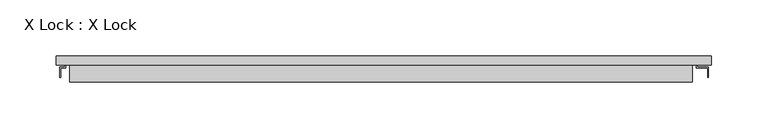
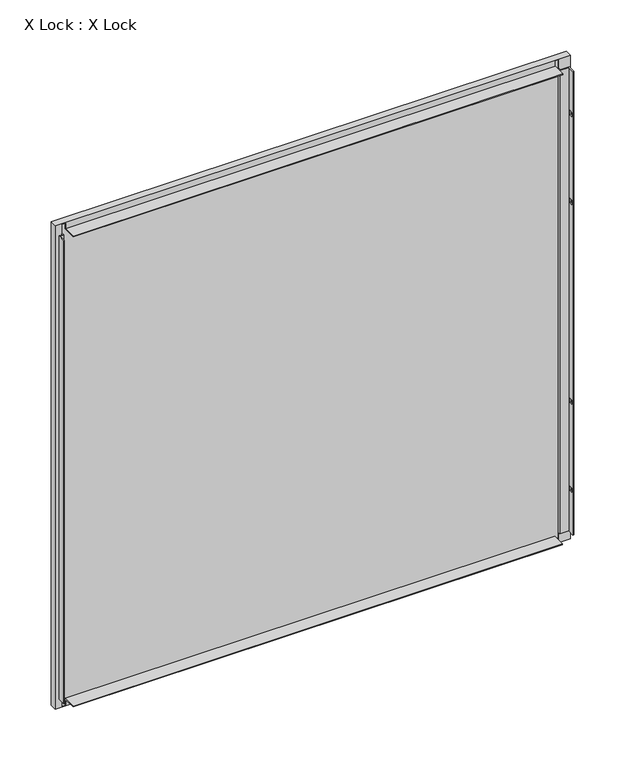
"""IFC4 building model written with IfcOpenShell, lengths in millimetres: plate geometry, X Lock : X Lock."""

import ifcopenshell
import ifcopenshell.guid

model = None  # the IFC model being written
_history = None  # IfcOwnerHistory: only IFC2X3 demands one
_inside = {}  # id of a spatial element -> (the spatial element, [elements in it])
_under = {}  # id of a project, library or spatial element -> (it, [spatial elements below it])
_declared = {}  # id of a project -> (the project, [libraries it declares])
_typed = {}  # id of a type object -> (the type object, [elements of that type])
_made_of = {}  # id of a material, layer set ... -> (it, [elements and type objects made of it])


def new_model(schema):
    """Start an empty IFC model of exactly this schema.

    Asked for "IFC4X3", IfcOpenShell would pick the latest addendum, in which some entities
    have other attributes; the version numbers below select the first issue.
    IFC2X3 requires an IfcOwnerHistory on every rooted entity: one is made here for all.
    """
    global model, _history
    if schema == "IFC4X3":
        model = ifcopenshell.file(schema_version=(4, 3, 0, 0))
    else:
        model = ifcopenshell.file(schema=schema)
    _inside.clear()
    _under.clear()
    _declared.clear()
    _typed.clear()
    _made_of.clear()
    _history = None
    if model.schema == "IFC2X3":
        org = make("IfcOrganization", Name="unknown")
        user = make(
            "IfcPersonAndOrganization",
            ThePerson=make("IfcPerson", FamilyName="unknown"),
            TheOrganization=org,
        )
        app = make(
            "IfcApplication",
            ApplicationDeveloper=org,
            Version="unknown",
            ApplicationFullName="unknown",
            ApplicationIdentifier="unknown",
        )
        _history = make(
            "IfcOwnerHistory",
            OwningUser=user,
            OwningApplication=app,
            ChangeAction="ADDED",
            CreationDate=0,
        )
    return model


def make(cls, **values):
    """One entity of the class cls with the attributes given. An attribute that is None is left unset."""
    return model.create_entity(
        cls, **{name: value for name, value in values.items() if value is not None}
    )


def rooted(cls, **values):
    """An entity with a GlobalId (a new one), such as an element, a storey or a relation."""
    return make(cls, GlobalId=ifcopenshell.guid.new(), OwnerHistory=_history, **values)


def si_unit(unit_type, name, prefix=None):
    """IfcSIUnit, for example si_unit("LENGTHUNIT", "METRE", prefix="MILLI")."""
    return make("IfcSIUnit", UnitType=unit_type, Prefix=prefix, Name=name)


def assignment(units):
    """IfcUnitAssignment: the units of a project."""
    return None if units is None else make("IfcUnitAssignment", Units=units)


def point(xyz):
    """IfcCartesianPoint."""
    return None if xyz is None else make("IfcCartesianPoint", Coordinates=xyz)


def direction(xyz):
    """IfcDirection."""
    return None if xyz is None else make("IfcDirection", DirectionRatios=xyz)


def frame(location, z_axis=None, x_axis=None):
    """IfcAxis2Placement3D, a coordinate frame: its origin and axes. An axis left out is left unset."""
    return make(
        "IfcAxis2Placement3D",
        Location=point(location),
        Axis=direction(z_axis),
        RefDirection=direction(x_axis),
    )


def origin():
    """The frame at (0, 0, 0) with its axes left unset."""
    return frame((0.0, 0.0, 0.0))


def place(relative_to, where):
    """IfcLocalPlacement: puts the frame where relative to a parent placement (None: the world)."""
    return make(
        "IfcLocalPlacement", PlacementRelTo=relative_to, RelativePlacement=where
    )


def context(
    kind, dimensions, precision=None, world=None, true_north=None, identifier=None
):
    """IfcGeometricRepresentationContext, for example the 3D "Model" context."""
    return make(
        "IfcGeometricRepresentationContext",
        ContextIdentifier=identifier,
        ContextType=kind,
        CoordinateSpaceDimension=dimensions,
        Precision=precision,
        WorldCoordinateSystem=world,
        TrueNorth=true_north,
    )


def project(units=None, contexts=None):
    """IfcProject with its units and contexts."""
    return rooted(
        "IfcProject",
        Name="project",
        RepresentationContexts=contexts,
        UnitsInContext=assignment(units),
    )


def spatial(cls, under=None, at=None, **own):
    """A site, building, storey or space (cls), placed at a placement, below another one or the project."""
    s = rooted(cls, ObjectPlacement=at, **own)
    if under is not None:
        _under.setdefault(under.id(), (under, []))[1].append(s)
    return s


def polyline(points):
    """IfcPolyline through the points."""
    return make("IfcPolyline", Points=[point(p) for p in points])


def outline(outer, holes=None, kind="AREA"):
    """IfcArbitraryClosedProfileDef: a profile drawn as a closed curve; with holes, ...WithVoids."""
    if holes is None:
        return make("IfcArbitraryClosedProfileDef", ProfileType=kind, OuterCurve=outer)
    return make(
        "IfcArbitraryProfileDefWithVoids",
        ProfileType=kind,
        OuterCurve=outer,
        InnerCurves=holes,
    )


def extrude(swept, where, along, depth):
    """IfcExtrudedAreaSolid: the profile swept, set in the frame where, extruded along a direction by depth."""
    return make(
        "IfcExtrudedAreaSolid",
        SweptArea=swept,
        Position=where,
        ExtrudedDirection=direction(along),
        Depth=depth,
    )


def faces_of(points, faces, orient=None, outer=None):
    """IfcFace entities. A face is a list of loops; a loop is a list of indices into points, from 0.

    orient and outer hold one flag for each loop. By default every Orientation is true, the
    first loop of a face is its IfcFaceOuterBound and the others are IfcFaceBound.
    """
    made = []
    for i, loops in enumerate(faces):
        bounds = []
        for j, loop in enumerate(loops):
            is_outer = j == 0 if outer is None else outer[i][j]
            bounds.append(
                make(
                    "IfcFaceOuterBound" if is_outer else "IfcFaceBound",
                    Bound=make("IfcPolyLoop", Polygon=[points[k] for k in loop]),
                    Orientation=True if orient is None else orient[i][j],
                )
            )
        made.append(make("IfcFace", Bounds=bounds))
    return made


def faceted_brep(points, faces, orient=None, outer=None, voids=None):
    """IfcFacetedBrep: a solid bounded by flat faces; with voids (closed shells), ...WithVoids."""
    shared = [point(p) for p in points]
    hull = make("IfcClosedShell", CfsFaces=faces_of(shared, faces, orient, outer))
    if voids is None:
        return make("IfcFacetedBrep", Outer=hull)
    return make(
        "IfcFacetedBrepWithVoids",
        Outer=hull,
        Voids=[
            make(cls, CfsFaces=faces_of(shared, fs, o, b)) for cls, fs, o, b in voids
        ],
    )


def shape(context_of_items, identifier, shape_type, items):
    """IfcShapeRepresentation: the items that make up one representation, for example the "Body"."""
    return make(
        "IfcShapeRepresentation",
        ContextOfItems=context_of_items,
        RepresentationIdentifier=identifier,
        RepresentationType=shape_type,
        Items=items,
    )


def source(mapping_origin, context_of_items, identifier, shape_type, items):
    """IfcRepresentationMap: a shape defined once, which mapped items show again and again."""
    return make(
        "IfcRepresentationMap",
        MappingOrigin=mapping_origin,
        MappedRepresentation=shape(context_of_items, identifier, shape_type, items),
    )


def transform(
    local_origin,
    x_axis=None,
    y_axis=None,
    z_axis=None,
    scale=None,
    scale2=None,
    scale3=None,
    uniform=True,
):
    """IfcCartesianTransformationOperator3D, or its non-uniform kind. x_axis, y_axis, z_axis: its Axis1, 2, 3."""
    if uniform:
        return make(
            "IfcCartesianTransformationOperator3D",
            Axis1=direction(x_axis),
            Axis2=direction(y_axis),
            LocalOrigin=point(local_origin),
            Scale=scale,
            Axis3=direction(z_axis),
        )
    return make(
        "IfcCartesianTransformationOperator3DnonUniform",
        Axis1=direction(x_axis),
        Axis2=direction(y_axis),
        LocalOrigin=point(local_origin),
        Scale=scale,
        Axis3=direction(z_axis),
        Scale2=scale2,
        Scale3=scale3,
    )


def mapped(mapping_source, mapping_target):
    """IfcMappedItem: shows the shape of a source again, moved by a transform."""
    return make(
        "IfcMappedItem", MappingSource=mapping_source, MappingTarget=mapping_target
    )


def made_of(thing, what):
    """Note that an element or type object is made of a material, layer set ...; save() writes the relation."""
    if what is not None:
        _made_of.setdefault(what.id(), (what, []))[1].append(thing)
    return thing


def element(
    cls,
    number,
    at=None,
    inside=None,
    cuts=None,
    type_object=None,
    material=None,
    context=None,
    identifier="Body",
    shape_type=None,
    held_by="IfcProductDefinitionShape",
    body=None,
    shapes=None,
    **own,
):
    """One element of the class cls, such as IfcWall. Its Tag is "e" and its number.

    at: its placement. inside: the storey or other place that contains it. cuts: it is an
    opening in that element (IfcRelVoidsElement). A single representation is given by context,
    identifier, shape_type and body (its items); several are given by shapes. held_by: the class
    of the entity that holds the representations. save() writes the other relations.
    """
    e = rooted(cls, Tag="e%d" % number, ObjectPlacement=at, **own)
    if body is not None:
        shapes = [shape(context, identifier, shape_type, body)]
    if shapes is not None:
        e.Representation = make(held_by, Representations=shapes)
    if inside is not None:
        _inside.setdefault(inside.id(), (inside, []))[1].append(e)
    if cuts is not None:
        rooted(
            "IfcRelVoidsElement", RelatingBuildingElement=cuts, RelatedOpeningElement=e
        )
    if type_object is not None:
        _typed.setdefault(type_object.id(), (type_object, []))[1].append(e)
    return made_of(e, material)


def aggregate(whole, parts):
    """IfcRelAggregates: a whole, such as a stair, and the parts it consists of."""
    return rooted("IfcRelAggregates", RelatingObject=whole, RelatedObjects=parts)


def save(model, path):
    """Write the relations noted so far, then the file.

    IfcRelAggregates (storeys below a building ...), IfcRelContainedInSpatialStructure (elements
    in a storey), IfcRelDefinesByType, IfcRelAssociatesMaterial and IfcRelDeclares: one each for
    every whole, place, type object, material and project.
    """
    for whole, parts in _under.values():
        aggregate(whole, parts)
    for where, things in _inside.values():
        rooted(
            "IfcRelContainedInSpatialStructure",
            RelatedElements=things,
            RelatingStructure=where,
        )
    for kind, things in _typed.values():
        rooted("IfcRelDefinesByType", RelatedObjects=things, RelatingType=kind)
    for what, things in _made_of.values():
        rooted("IfcRelAssociatesMaterial", RelatedObjects=things, RelatingMaterial=what)
    for by, libraries in _declared.values():
        rooted("IfcRelDeclares", RelatingContext=by, RelatedDefinitions=libraries)
    model.write(path)


def x_lock_x_lock_bb995515(model_context):
    return source(origin(), model_context, "Body", "SolidModel", [
        extrude(outline(polyline([(284.0000002, 7.2), (-279.0000002, 7.2), (-279.0000002, 8.0), (284.0000002, 8.0), (284.0000002, 7.2)])), frame((0.0, 0.0, 3.0), z_axis=(0.0, 0.0, 1.0), x_axis=(1.0, 0.0, 0.0)), (0.0, 0.0, 1.0), 558.0),
        faceted_brep([(294.0000002, 8.0, 571.0), (-289.0000002, 8.0, 571.0), (-289.0000002, 0.0, 571.0), (294.0000002, 0.0, 571.0), (-289.0000002, 8.0, -7.0), (-289.0000002, 0.0, -7.0), (294.0000002, 8.0, -7.0), (294.0000002, 0.0, -7.0), (293.2000002, 7.2, 570.2), (293.2000002, 7.2, -6.2), (293.2000002, 0.8, -6.2), (293.2000002, 0.8, 570.2), (-288.2000002, 7.2, -6.2), (-288.2000002, 0.8, -6.2), (-280.7000002, 0.8, -6.2), (-280.7000002, 0.0, -6.2), (-277.0000002, 0.0, -6.2), (-277.0000002, 0.8, -6.2), (277.0000002, 0.8, -6.2), (277.0000002, 0.0, -6.2), (280.7000002, 0.0, -6.2), (280.7000002, 0.8, -6.2), (-288.2000002, 7.2, 570.2), (-288.2000002, 0.8, 570.2), (280.7000002, 0.8, 570.2), (280.7000002, 0.0, 570.2), (277.0000002, 0.0, 570.2), (277.0000002, 0.8, 570.2), (-277.0000002, 0.8, 570.2), (-277.0000002, 0.0, 570.2), (-280.7000002, 0.0, 570.2), (-280.7000002, 0.8, 570.2), (-279.0000002, 7.2, 561.0), (284.0000002, 7.2, 561.0), (284.0000002, 7.2, 3.0), (-279.0000002, 7.2, 3.0), (-279.0000002, 8.0, 561.0), (-279.0000002, 8.0, 3.0), (284.0000002, 8.0, 3.0), (284.0000002, 8.0, 561.0), (280.7000002, -2.7949633, 559.0), (290.7000002, -2.7949633, 559.0), (290.7000002, -11.0, 559.0), (291.5000002, -11.0, 559.0), (291.5000002, -2.0, 559.0), (281.5000002, -2.0, 559.0), (281.5000002, 0.0, 559.0), (280.7000002, 0.0, 559.0), (281.5000002, 0.0, 5.0), (281.5000002, -2.0, 5.0), (291.5000002, -2.0, 5.0), (291.5000002, -11.0, 5.0), (290.7000002, -11.0, 5.0), (290.7000002, -2.7949633, 5.0), (280.7000002, -2.7949633, 5.0), (280.7000002, 0.0, 5.0), (290.7000002, -5.0, 404.0), (290.7000002, -9.0, 404.0), (290.7000002, -9.0, 399.0), (290.7000002, -5.0, 399.0), (290.7000002, -5.0, 60.0), (290.7000002, -9.0, 60.0), (290.7000002, -9.0, 55.0), (290.7000002, -5.0, 55.0), (290.7000002, -5.0, 509.0), (290.7000002, -9.0, 509.0), (290.7000002, -9.0, 504.0), (290.7000002, -5.0, 504.0), (290.7000002, -5.0, 165.0), (290.7000002, -9.0, 165.0), (290.7000002, -9.0, 160.0), (290.7000002, -5.0, 160.0), (291.5000002, -9.0, 404.0), (291.5000002, -5.0, 404.0), (291.5000002, -5.0, 399.0), (291.5000002, -9.0, 399.0), (291.5000002, -9.0, 60.0), (291.5000002, -5.0, 60.0), (291.5000002, -5.0, 55.0), (291.5000002, -9.0, 55.0), (291.5000002, -9.0, 509.0), (291.5000002, -5.0, 509.0), (291.5000002, -5.0, 504.0), (291.5000002, -9.0, 504.0), (291.5000002, -9.0, 165.0), (291.5000002, -5.0, 165.0), (291.5000002, -5.0, 160.0), (291.5000002, -9.0, 160.0), (-281.5000002, 0.0, 559.0), (-281.5000002, -2.0, 559.0), (-285.7000002, -2.0, 559.0), (-285.7000002, -11.0, 559.0), (-284.9000002, -11.0, 559.0), (-284.9000002, -2.7949633, 559.0), (-280.7000002, -2.7949633, 559.0), (-280.7000002, 0.0, 559.0), (-280.7000002, -2.7949633, 5.0), (-284.9000002, -2.7949633, 5.0), (-284.9000002, -11.0, 5.0), (-285.7000002, -11.0, 5.0), (-285.7000002, -2.0, 5.0), (-281.5000002, -2.0, 5.0), (-281.5000002, 0.0, 5.0), (-280.7000002, 0.0, 5.0), (-277.0000002, 0.8, 562.7), (-277.0000002, -15.0, 562.7), (-277.0000002, -15.0, 563.5), (-277.0000002, 0.0, 563.5), (277.0000002, 0.0, 563.5), (277.0000002, -15.0, 563.5), (277.0000002, -15.0, 562.7), (277.0000002, 0.8, 562.7), (-277.0000002, 0.0, 0.5), (-277.0000002, -14.2, 0.5), (-277.0000002, -14.2, 1.3), (-277.0000002, 0.8, 1.3), (277.0000002, 0.8, 1.3), (277.0000002, -14.2, 1.3), (277.0000002, -14.2, 0.5), (277.0000002, 0.0, 0.5)], [[[0, 1, 2, 3]], [[1, 4, 5, 2]], [[4, 6, 7, 5]], [[8, 9, 10, 11]], [[9, 12, 13, 14, 15, 16, 17, 18, 19, 20, 21, 10]], [[12, 22, 23, 13]], [[22, 8, 11, 24, 25, 26, 27, 28, 29, 30, 31, 23]], [[9, 8, 22, 12], [32, 33, 34, 35]], [[1, 0, 6, 4], [36, 37, 38, 39]], [[33, 32, 36, 39]], [[34, 33, 39, 38]], [[35, 34, 38, 37]], [[32, 35, 37, 36]], [[40, 41, 42, 43, 44, 45, 46, 47]], [[48, 49, 50, 51, 52, 53, 54, 55]], [[14, 13, 23, 31]], [[10, 21, 24, 11]], [[54, 40, 47, 25, 24, 21, 20, 55]], [[41, 40, 54, 53]], [[42, 41, 53, 52], [56, 57, 58, 59], [60, 61, 62, 63], [64, 65, 66, 67], [68, 69, 70, 71]], [[43, 42, 52, 51]], [[44, 43, 51, 50], [72, 73, 74, 75], [76, 77, 78, 79], [80, 81, 82, 83], [84, 85, 86, 87]], [[45, 44, 50, 49]], [[46, 45, 49, 48]], [[88, 89, 90, 91, 92, 93, 94, 95]], [[96, 97, 98, 99, 100, 101, 102, 103]], [[94, 96, 103, 15, 14, 31, 30, 95]], [[94, 93, 97, 96]], [[93, 92, 98, 97]], [[92, 91, 99, 98]], [[91, 90, 100, 99]], [[90, 89, 101, 100]], [[89, 88, 102, 101]], [[104, 105, 106, 107, 29, 28]], [[108, 109, 110, 111, 27, 26]], [[111, 104, 28, 27]], [[105, 104, 111, 110]], [[107, 106, 109, 108]], [[112, 113, 114, 115, 17, 16]], [[116, 117, 118, 119, 19, 18]], [[113, 112, 119, 118]], [[115, 114, 117, 116]], [[115, 116, 18, 17]], [[3, 7, 6, 0]], [[7, 3, 2, 5], [46, 48, 55, 20, 19, 119, 112, 16, 15, 103, 102, 88, 95, 30, 29, 107, 108, 26, 25, 47]], [[56, 73, 72, 57]], [[57, 72, 75, 58]], [[58, 75, 74, 59]], [[73, 56, 59, 74]], [[76, 61, 60, 77]], [[61, 76, 79, 62]], [[62, 79, 78, 63]], [[77, 60, 63, 78]], [[106, 105, 110, 109]], [[114, 113, 118, 117]], [[64, 81, 80, 65]], [[65, 80, 83, 66]], [[66, 83, 82, 67]], [[81, 64, 67, 82]], [[68, 85, 84, 69]], [[69, 84, 87, 70]], [[70, 87, 86, 71]], [[85, 68, 71, 86]]]),
        extrude(outline(polyline([(293.2000002, 5.5297993), (-288.2000002, 5.5297993), (-288.2000002, 7.2), (293.2000002, 7.2), (293.2000002, 5.5297993)])), frame((0.0, 0.0, -6.2), z_axis=(0.0, 0.0, 1.0), x_axis=(1.0, 0.0, 0.0)), (0.0, 0.0, 1.0), 576.4),
    ])


if __name__ == "__main__":
    model = new_model("IFC4")
    model_context = context("Model", 3, world=origin())
    ifc_project = project(units=[si_unit("LENGTHUNIT", "METRE", prefix="MILLI")], contexts=[model_context])
    site = spatial("IfcSite", under=ifc_project)
    building = spatial("IfcBuilding", under=site)
    placement = place(None, origin())
    x_lock_x_lock_shape = x_lock_x_lock_bb995515(model_context)
    element("IfcPlate", 1, ObjectType="X Lock : X Lock", at=placement, inside=building, context=model_context, shape_type="MappedRepresentation", body=[
        mapped(x_lock_x_lock_shape, transform((0.0, 0.0, 0.0), x_axis=(1.0, 0.0, 0.0), y_axis=(0.0, 1.0, 0.0), z_axis=(0.0, 0.0, 1.0))),
    ])
    save(model, "model.ifc")
